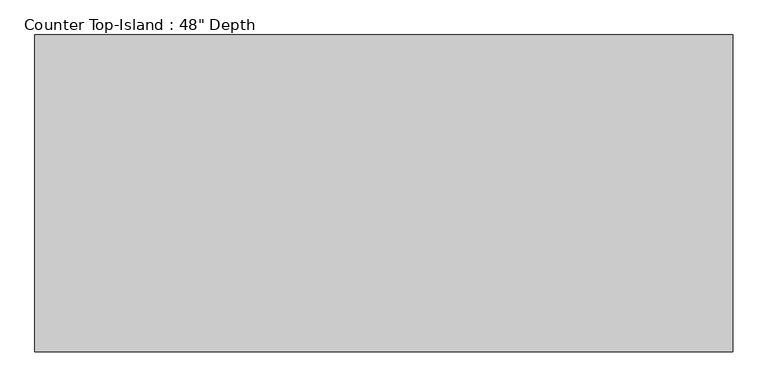
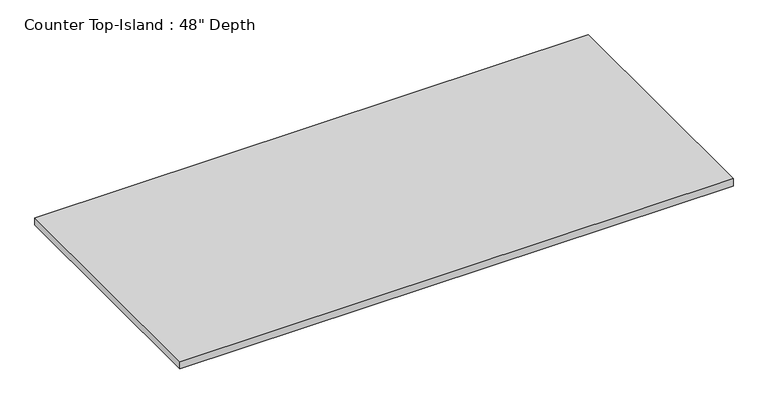
"""IFC4 building model written with IfcOpenShell, lengths in millimetres: furniture geometry."""

from ifc_helpers import new_model, si_unit, frame, origin, place, context, project, spatial, polyline, outline, extrude, source, transform, mapped, element, save


def furniture_fe1d762c(model_context):
    return source(origin(), model_context, "Body", "SweptSolid", [
        extrude(outline(polyline([(1542.7377049, 25.4), (1542.7377049, -1219.2), (-1200.4622951, -1219.2), (-1200.4622951, 25.4), (1542.7377049, 25.4)])), frame((0.0, 0.0, 876.3), z_axis=(0.0, 0.0, 1.0), x_axis=(1.0, 0.0, 0.0)), (0.0, 0.0, 1.0), 38.1),
    ])


if __name__ == "__main__":
    model = new_model("IFC4")
    model_context = context("Model", 3, world=origin())
    ifc_project = project(units=[si_unit("LENGTHUNIT", "METRE", prefix="MILLI")], contexts=[model_context])
    site = spatial("IfcSite", under=ifc_project)
    building = spatial("IfcBuilding", under=site)
    placement = place(None, origin())
    furniture_shape = furniture_fe1d762c(model_context)
    element("IfcFurniture", 1, ObjectType="Counter Top-Island : 48\" Depth", at=placement, inside=building, context=model_context, shape_type="MappedRepresentation", body=[
        mapped(furniture_shape, transform((0.0, 0.0, 0.0), x_axis=(1.0, 0.0, 0.0), y_axis=(0.0, 1.0, 0.0), z_axis=(0.0, 0.0, 1.0))),
    ])
    save(model, "model.ifc")
